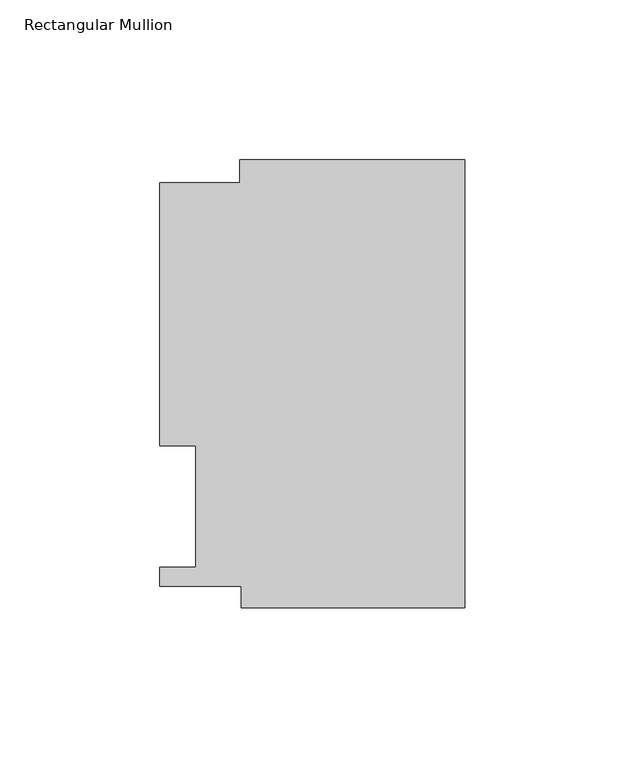
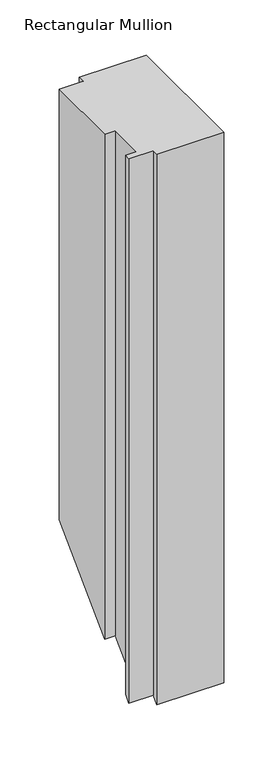
"""IFC4 building model written with IfcOpenShell, lengths in millimetres: member geometry, Rectangular Mullion."""

from ifc_helpers import new_model, si_unit, origin, place, context, project, spatial, faceted_brep, source, transform, mapped, element, save


def rectangular_mullion_2e3f37e5(model_context):
    return source(origin(), model_context, "Body", "Brep", [
        faceted_brep([(-70.3072, 133.731, 0.0), (-70.3072, 126.619, 0.0), (-95.25, 126.619, 0.0), (-95.25, 44.45, 0.0), (-84.1375, 44.45, 0.0), (-84.1375, 6.35, 0.0), (-95.25, 6.35, 0.0), (-95.25, 0.4064, 0.0), (-69.85, 0.4064, 0.0), (-69.85, -6.2260979, 0.0), (0.0, -6.2260979, 0.0), (0.0, 133.731, 0.0), (-70.3072, 133.731, -468.5565251), (-70.3072, 126.619, -475.6685251), (-95.25, 126.619, -475.6685251), (-95.25, 44.45, -557.8375251), (-84.1375, 44.45, -557.8375251), (-84.1375, 6.35, -595.9375251), (-95.25, 6.35, -595.9375251), (-95.25, 0.4064, -601.8811251), (-69.85, 0.4064, -601.8811251), (-69.85, -6.2260979, -608.513623), (0.0, -6.2260979, -608.513623), (0.0, 133.731, -468.5565251)], [[[0, 1, 2, 3, 4, 5, 6, 7, 8, 9, 10, 11]], [[1, 0, 12, 13]], [[2, 1, 13, 14]], [[3, 2, 14, 15]], [[4, 3, 15, 16]], [[5, 4, 16, 17]], [[6, 5, 17, 18]], [[7, 6, 18, 19]], [[8, 7, 19, 20]], [[9, 8, 20, 21]], [[10, 9, 21, 22]], [[11, 10, 22, 23]], [[0, 11, 23, 12]], [[12, 23, 22, 21, 20, 19, 18, 17, 16, 15, 14, 13]]]),
    ])


if __name__ == "__main__":
    model = new_model("IFC4")
    model_context = context("Model", 3, world=origin())
    ifc_project = project(units=[si_unit("LENGTHUNIT", "METRE", prefix="MILLI")], contexts=[model_context])
    site = spatial("IfcSite", under=ifc_project)
    building = spatial("IfcBuilding", under=site)
    placement = place(None, origin())
    rectangular_mullion_shape = rectangular_mullion_2e3f37e5(model_context)
    element("IfcMember", 1, ObjectType="Rectangular Mullion", at=placement, inside=building, context=model_context, shape_type="MappedRepresentation", body=[
        mapped(rectangular_mullion_shape, transform((0.0, 0.0, 0.0), x_axis=(1.0, 0.0, 0.0), y_axis=(0.0, 1.0, 0.0), z_axis=(0.0, 0.0, 1.0))),
    ])
    save(model, "model.ifc")
